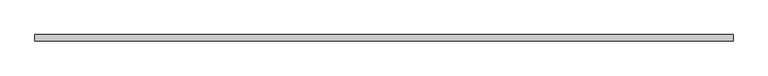
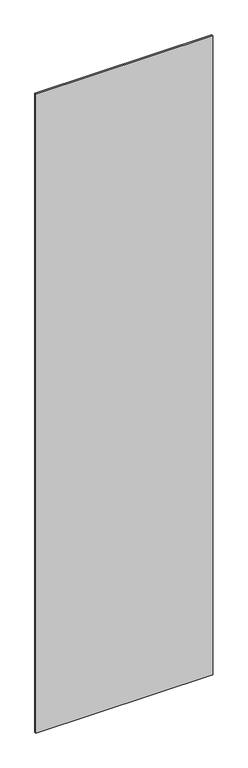
"""IFC4 building model written with IfcOpenShell, lengths in millimetres: plate geometry."""

from ifc_helpers import new_model, si_unit, origin, origin_with_axes, place, context, project, spatial, polyline, outline, extrude, source, transform, mapped, element, save


def plate_f0e572d7(model_context):
    return source(origin(), model_context, "Body", "SweptSolid", [
        extrude(outline(polyline([(570.8204416, -5.0), (-570.8204416, -5.0), (-570.8204416, 5.0), (570.8204416, 5.0), (570.8204416, -5.0)])), origin_with_axes(), (0.0, 0.0, 1.0), 4360.0),
    ])


if __name__ == "__main__":
    model = new_model("IFC4")
    model_context = context("Model", 3, world=origin())
    ifc_project = project(units=[si_unit("LENGTHUNIT", "METRE", prefix="MILLI")], contexts=[model_context])
    site = spatial("IfcSite", under=ifc_project)
    building = spatial("IfcBuilding", under=site)
    placement = place(None, origin())
    plate_shape = plate_f0e572d7(model_context)
    element("IfcPlate", 1, at=placement, inside=building, context=model_context, shape_type="MappedRepresentation", body=[
        mapped(plate_shape, transform((0.0, 0.0, 0.0), x_axis=(1.0, 0.0, 0.0), y_axis=(0.0, 1.0, 0.0), z_axis=(0.0, 0.0, 1.0))),
    ])
    save(model, "model.ifc")
